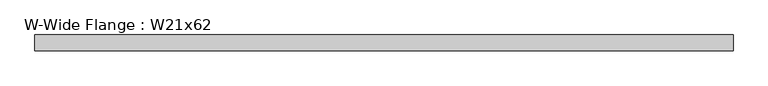
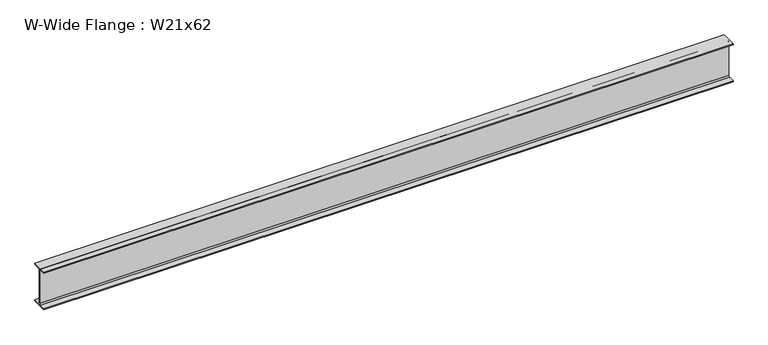
"""IFC4 building model written with IfcOpenShell, lengths in millimetres: beam geometry, W-Wide Flange : W21x62."""

from ifc_helpers import new_model, si_unit, point, frame, frame_2d, origin, place, context, project, spatial, polyline, circle_curve, trimmed, segment, composite_curve, outline, extrude, source, transform, mapped, element, save


def w_wide_flange_w21x62_fe25a0cf(model_context):
    return source(origin(), model_context, "Body", "SweptSolid", [
        extrude(outline(composite_curve([segment(polyline([(104.648, -251.079), (104.648, -266.7), (-104.648, -266.7), (-104.648, -251.079), (-22.7965, -251.079)]), True, "CONTINUOUS"), segment(trimmed(circle_curve(frame_2d((-22.7965, -233.3625)), 17.7165), [point((-22.7965, -251.079))], [point((-5.08, -233.3625))], True, "CARTESIAN"), True, "CONTINUOUS"), segment(polyline([(-5.08, -233.3625), (-5.08, 233.3625)]), True, "CONTINUOUS"), segment(trimmed(circle_curve(frame_2d((-22.7965, 233.3625)), 17.7165), [point((-5.08, 233.3625))], [point((-22.7965, 251.079))], True, "CARTESIAN"), True, "CONTINUOUS"), segment(polyline([(-22.7965, 251.079), (-104.648, 251.079), (-104.648, 266.7), (104.648, 266.7), (104.648, 251.079), (22.7965, 251.079)]), True, "CONTINUOUS"), segment(trimmed(circle_curve(frame_2d((22.7965, 233.3625)), 17.7165), [point((22.7965, 251.079))], [point((5.08, 233.3625))], True, "CARTESIAN"), True, "CONTINUOUS"), segment(polyline([(5.08, 233.3625), (5.08, -233.3625)]), True, "CONTINUOUS"), segment(trimmed(circle_curve(frame_2d((22.7965, -233.3625)), 17.7165), [point((5.08, -233.3625))], [point((22.7965, -251.079))], True, "CARTESIAN"), True, "CONTINUOUS"), segment(polyline([(22.7965, -251.079), (104.648, -251.079)]), True, "CONTINUOUS")], self_intersect=False)), frame((-4595.4509316, 0.0, 0.0), z_axis=(1.0, 0.0, 0.0), x_axis=(0.0, 1.0, 0.0)), (0.0, 0.0, 1.0), 9210.8604342),
    ])


if __name__ == "__main__":
    model = new_model("IFC4")
    model_context = context("Model", 3, world=origin())
    ifc_project = project(units=[si_unit("LENGTHUNIT", "METRE", prefix="MILLI")], contexts=[model_context])
    site = spatial("IfcSite", under=ifc_project)
    building = spatial("IfcBuilding", under=site)
    placement = place(None, origin())
    w_wide_flange_w21x62_shape = w_wide_flange_w21x62_fe25a0cf(model_context)
    element("IfcBeam", 1, ObjectType="W-Wide Flange : W21x62", at=placement, inside=building, context=model_context, shape_type="MappedRepresentation", body=[
        mapped(w_wide_flange_w21x62_shape, transform((0.0, 0.0, 0.0), x_axis=(1.0, 0.0, 0.0), y_axis=(0.0, 1.0, 0.0), z_axis=(0.0, 0.0, 1.0))),
    ])
    save(model, "model.ifc")
